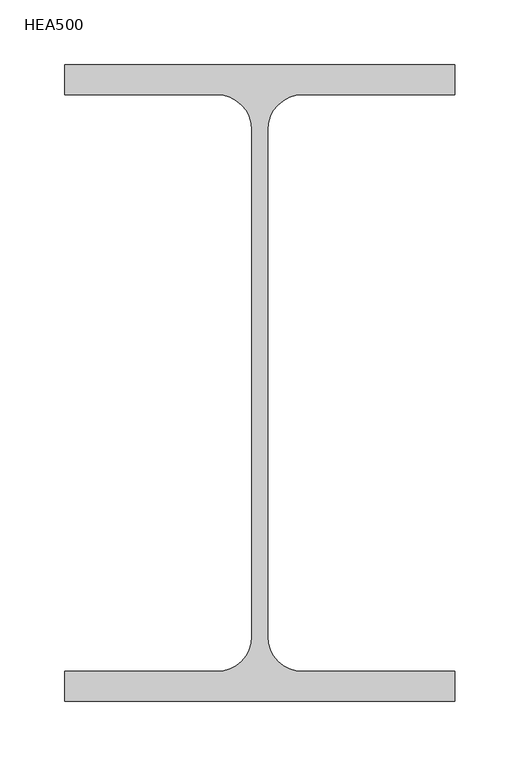
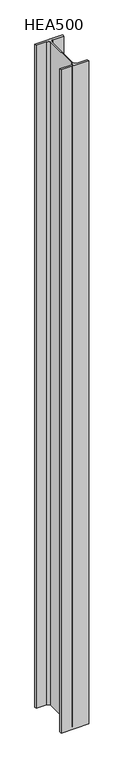
"""IFC4 building model written with IfcOpenShell, lengths in millimetres: column geometry, HEA500."""

from ifc_helpers import new_model, si_unit, point, frame, frame_2d, origin, place, context, project, spatial, polyline, circle_curve, trimmed, segment, composite_curve, outline, extrude, source, transform, mapped, element, save


def hea500_3eefd640(model_context):
    return source(origin(), model_context, "Body", "SweptSolid", [
        extrude(outline(composite_curve([segment(polyline([(150.0, 245.0), (150.0, 222.0), (33.0, 222.0)]), True, "CONTINUOUS"), segment(trimmed(circle_curve(frame_2d((33.0, 195.0)), 27.0), [point((33.0, 222.0))], [point((6.0, 195.0))], True, "CARTESIAN"), True, "CONTINUOUS"), segment(polyline([(6.0, 195.0), (6.0, -195.0)]), True, "CONTINUOUS"), segment(trimmed(circle_curve(frame_2d((33.0, -195.0)), 27.0), [point((6.0, -195.0))], [point((33.0, -222.0))], True, "CARTESIAN"), True, "CONTINUOUS"), segment(polyline([(33.0, -222.0), (150.0, -222.0), (150.0, -245.0), (-150.0, -245.0), (-150.0, -222.0), (-33.0, -222.0)]), True, "CONTINUOUS"), segment(trimmed(circle_curve(frame_2d((-33.0, -195.0)), 27.0), [point((-33.0, -222.0))], [point((-6.0, -195.0))], True, "CARTESIAN"), True, "CONTINUOUS"), segment(polyline([(-6.0, -195.0), (-6.0, 195.0)]), True, "CONTINUOUS"), segment(trimmed(circle_curve(frame_2d((-33.0, 195.0)), 27.0), [point((-6.0, 195.0))], [point((-33.0, 222.0))], True, "CARTESIAN"), True, "CONTINUOUS"), segment(polyline([(-33.0, 222.0), (-150.0, 222.0), (-150.0, 245.0), (150.0, 245.0)]), True, "CONTINUOUS")], self_intersect=False)), frame((0.0, 0.0, 1400.0), z_axis=(0.0, 0.0, 1.0), x_axis=(1.0, 0.0, 0.0)), (0.0, 0.0, 1.0), 7600.0),
    ])


if __name__ == "__main__":
    model = new_model("IFC4")
    model_context = context("Model", 3, world=origin())
    ifc_project = project(units=[si_unit("LENGTHUNIT", "METRE", prefix="MILLI")], contexts=[model_context])
    site = spatial("IfcSite", under=ifc_project)
    building = spatial("IfcBuilding", under=site)
    placement = place(None, origin())
    hea500_shape = hea500_3eefd640(model_context)
    element("IfcColumn", 1, ObjectType="HEA500", at=placement, inside=building, context=model_context, shape_type="MappedRepresentation", body=[
        mapped(hea500_shape, transform((0.0, 0.0, 0.0), x_axis=(1.0, 0.0, 0.0), y_axis=(0.0, 1.0, 0.0), z_axis=(0.0, 0.0, 1.0))),
    ])
    save(model, "model.ifc")
